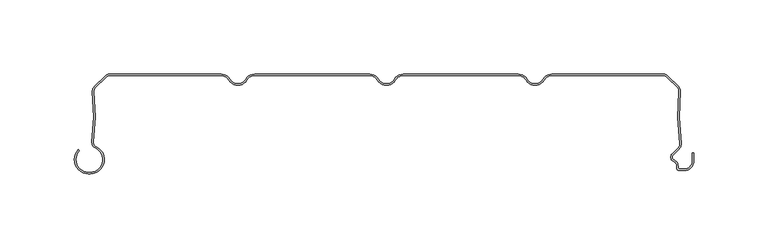
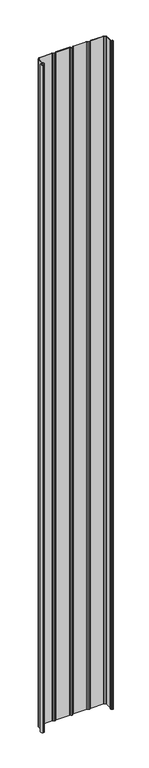
"""IFC4 building model written with IfcOpenShell, lengths in millimetres: plate geometry."""

from ifc_helpers import new_model, si_unit, point, frame_2d, origin, origin_with_axes, place, context, project, spatial, polyline, circle_curve, trimmed, segment, composite_curve, outline, extrude, source, transform, mapped, element, save


def plate_6201d80f(model_context):
    return source(origin(), model_context, "Body", "SweptSolid", [
        extrude(outline(composite_curve([segment(polyline([(-200.5602536, -66.1554676), (-199.3062536, -66.1554676)]), True, "CONTINUOUS"), segment(trimmed(circle_curve(frame_2d((-199.3062536, -57.6554676)), 8.5), [point((-199.3062536, -66.1554676))], [point((-195.7922983, -49.9158218))], True, "CARTESIAN"), True, "CONTINUOUS"), segment(trimmed(circle_curve(frame_2d((-194.0973316, -46.1825808)), 4.1), [point((-195.7922983, -49.9158218))], [point((-198.1663398, -45.6794186))], False, "CARTESIAN"), True, "CONTINUOUS"), segment(trimmed(circle_curve(frame_2d((-347.0324935, -27.2710429)), 150.0), [point((-198.1663398, -45.6794186))], [point((-197.82984, -11.8253904))], True, "CARTESIAN"), True, "CONTINUOUS"), segment(trimmed(circle_curve(frame_2d((-193.7516341, -11.4032093)), 4.1), [point((-197.82984, -11.8253904))], [point((-196.6507719, -8.5040715))], False, "CARTESIAN"), True, "CONTINUOUS"), segment(polyline([(-196.6507719, -8.5040715), (-189.3475626, -1.2008622)]), True, "CONTINUOUS"), segment(trimmed(circle_curve(frame_2d((-186.4484248, -4.1)), 4.1), [point((-189.3475626, -1.2008622))], [point((-186.4484248, 0.0))], False, "CARTESIAN"), True, "CONTINUOUS"), segment(polyline([(-186.4484248, 0.0), (-111.2583302, 0.0)]), True, "CONTINUOUS"), segment(trimmed(circle_curve(frame_2d((-111.2583302, -7.0)), 7.0), [point((-111.2583302, 0.0))], [point((-105.1961524, -3.5))], False, "CARTESIAN"), True, "CONTINUOUS"), segment(trimmed(circle_curve(frame_2d((-100.0, -0.5)), 6.0), [point((-105.1961524, -3.5))], [point((-100.0, -6.5))], True, "CARTESIAN"), True, "CONTINUOUS"), segment(trimmed(circle_curve(frame_2d((-100.0, -0.5)), 6.0), [point((-100.0, -6.5))], [point((-94.8038476, -3.5))], True, "CARTESIAN"), True, "CONTINUOUS"), segment(trimmed(circle_curve(frame_2d((-88.7416698, -7.0)), 7.0), [point((-94.8038476, -3.5))], [point((-88.7416698, 0.0))], False, "CARTESIAN"), True, "CONTINUOUS"), segment(polyline([(-88.7416698, 0.0), (-11.2583302, 0.0)]), True, "CONTINUOUS"), segment(trimmed(circle_curve(frame_2d((-11.2583302, -7.0)), 7.0), [point((-11.2583302, 0.0))], [point((-5.1961524, -3.5))], False, "CARTESIAN"), True, "CONTINUOUS"), segment(trimmed(circle_curve(frame_2d((0.0, -0.5)), 6.0), [point((-5.1961524, -3.5))], [point((0.0, -6.5))], True, "CARTESIAN"), True, "CONTINUOUS"), segment(trimmed(circle_curve(frame_2d((0.0, -0.5)), 6.0), [point((0.0, -6.5))], [point((5.1961524, -3.5))], True, "CARTESIAN"), True, "CONTINUOUS"), segment(trimmed(circle_curve(frame_2d((11.2583302, -7.0)), 7.0), [point((5.1961524, -3.5))], [point((11.2583302, 0.0))], False, "CARTESIAN"), True, "CONTINUOUS"), segment(polyline([(11.2583302, 0.0), (88.7416698, 0.0)]), True, "CONTINUOUS"), segment(trimmed(circle_curve(frame_2d((88.7416698, -7.0)), 7.0), [point((88.7416698, 0.0))], [point((94.8038476, -3.5))], False, "CARTESIAN"), True, "CONTINUOUS"), segment(trimmed(circle_curve(frame_2d((100.0, -0.5)), 6.0), [point((94.8038476, -3.5))], [point((100.0, -6.5))], True, "CARTESIAN"), True, "CONTINUOUS"), segment(trimmed(circle_curve(frame_2d((100.0, -0.5)), 6.0), [point((100.0, -6.5))], [point((105.1961524, -3.5))], True, "CARTESIAN"), True, "CONTINUOUS"), segment(trimmed(circle_curve(frame_2d((111.2583302, -7.0)), 7.0), [point((105.1961524, -3.5))], [point((111.2583302, 0.0))], False, "CARTESIAN"), True, "CONTINUOUS"), segment(polyline([(111.2583302, 0.0), (186.4484248, 0.0)]), True, "CONTINUOUS"), segment(trimmed(circle_curve(frame_2d((186.4484248, -4.1)), 4.1), [point((186.4484248, 0.0))], [point((189.3475626, -1.2008622))], False, "CARTESIAN"), True, "CONTINUOUS"), segment(polyline([(189.3475626, -1.2008622), (196.6502639, -8.5035635)]), True, "CONTINUOUS"), segment(trimmed(circle_curve(frame_2d((193.7511261, -11.4027013)), 4.1), [point((196.6502639, -8.5035635))], [point((197.8293418, -11.8247881))], False, "CARTESIAN"), True, "CONTINUOUS"), segment(trimmed(circle_curve(frame_2d((347.0323525, -27.2669893)), 150.0), [point((197.8293418, -11.8247881))], [point((198.2850442, -46.6122279))], True, "CARTESIAN"), True, "CONTINUOUS"), segment(trimmed(circle_curve(frame_2d((193.9914801, -47.1706247)), 4.3297228), [point((198.2850442, -46.6122279))], [point((196.9270442, -50.3532279))], False, "CARTESIAN"), True, "CONTINUOUS"), segment(polyline([(196.9270442, -50.3532279), (192.8931689, -54.3871033)]), True, "CONTINUOUS"), segment(trimmed(circle_curve(frame_2d((194.4488038, -55.9427382)), 2.2), [point((192.8931689, -54.3871033))], [point((193.6238712, -57.98222))], True, "CARTESIAN"), True, "CONTINUOUS"), segment(trimmed(circle_curve(frame_2d((192.049, -61.8757763)), 4.2), [point((193.6238712, -57.98222))], [point((196.249, -61.8757763))], False, "CARTESIAN"), True, "CONTINUOUS"), segment(polyline([(196.249, -61.8757763), (196.249, -63.0)]), True, "CONTINUOUS"), segment(trimmed(circle_curve(frame_2d((197.249, -63.0)), 1.0), [point((196.249, -63.0))], [point((197.249, -64.0))], True, "CARTESIAN"), True, "CONTINUOUS"), segment(polyline([(197.249, -64.0), (200.55, -64.0)]), True, "CONTINUOUS"), segment(trimmed(circle_curve(frame_2d((200.55, -58.8)), 5.2), [point((200.55, -64.0))], [point((205.75, -58.8))], True, "CARTESIAN"), True, "CONTINUOUS"), segment(polyline([(205.75, -58.8), (205.75, -53.169), (206.75, -53.169), (206.75, -58.8)]), True, "CONTINUOUS"), segment(trimmed(circle_curve(frame_2d((200.55, -58.8)), 6.2), [point((206.75, -58.8))], [point((200.55, -65.0))], False, "CARTESIAN"), True, "CONTINUOUS"), segment(polyline([(200.55, -65.0), (197.249, -65.0)]), True, "CONTINUOUS"), segment(trimmed(circle_curve(frame_2d((197.249, -63.0)), 2.0), [point((197.249, -65.0))], [point((195.249, -63.0))], False, "CARTESIAN"), True, "CONTINUOUS"), segment(polyline([(195.249, -63.0), (195.249, -61.8757763)]), True, "CONTINUOUS"), segment(trimmed(circle_curve(frame_2d((192.049, -61.8757763)), 3.2), [point((195.249, -61.8757763))], [point((193.2489019, -58.9092572))], True, "CARTESIAN"), True, "CONTINUOUS"), segment(trimmed(circle_curve(frame_2d((194.4488038, -55.9427382)), 3.2), [point((193.2489019, -58.9092572))], [point((192.1860621, -53.6799965))], False, "CARTESIAN"), True, "CONTINUOUS"), segment(polyline([(192.1860621, -53.6799965), (196.2351433, -49.6309152)]), True, "CONTINUOUS"), segment(trimmed(circle_curve(frame_2d((193.9914801, -47.1706247)), 3.3297228), [point((196.2351433, -49.6309152))], [point((197.2933955, -46.7411962))], True, "CARTESIAN"), True, "CONTINUOUS"), segment(trimmed(circle_curve(frame_2d((347.0323525, -27.2669893)), 151.0), [point((197.2933955, -46.7411962))], [point((196.834655, -11.7218401))], False, "CARTESIAN"), True, "CONTINUOUS"), segment(trimmed(circle_curve(frame_2d((193.7511261, -11.4027013)), 3.1), [point((196.834655, -11.7218401))], [point((195.9431572, -9.2106703))], True, "CARTESIAN"), True, "CONTINUOUS"), segment(polyline([(195.9431572, -9.2106703), (188.6404559, -1.907969)]), True, "CONTINUOUS"), segment(trimmed(circle_curve(frame_2d((186.4484248, -4.1)), 3.1), [point((188.6404559, -1.907969))], [point((186.4484248, -1.0))], True, "CARTESIAN"), True, "CONTINUOUS"), segment(polyline([(186.4484248, -1.0), (111.2583302, -1.0)]), True, "CONTINUOUS"), segment(trimmed(circle_curve(frame_2d((111.2583302, -7.0)), 6.0), [point((111.2583302, -1.0))], [point((106.0621778, -4.0))], True, "CARTESIAN"), True, "CONTINUOUS"), segment(trimmed(circle_curve(frame_2d((100.0, -0.5)), 7.0), [point((106.0621778, -4.0))], [point((100.0, -7.5))], False, "CARTESIAN"), True, "CONTINUOUS"), segment(trimmed(circle_curve(frame_2d((100.0, -0.5)), 7.0), [point((100.0, -7.5))], [point((93.9378222, -4.0))], False, "CARTESIAN"), True, "CONTINUOUS"), segment(trimmed(circle_curve(frame_2d((88.7416698, -7.0)), 6.0), [point((93.9378222, -4.0))], [point((88.7416698, -1.0))], True, "CARTESIAN"), True, "CONTINUOUS"), segment(polyline([(88.7416698, -1.0), (11.2583302, -1.0)]), True, "CONTINUOUS"), segment(trimmed(circle_curve(frame_2d((11.2583302, -7.0)), 6.0), [point((11.2583302, -1.0))], [point((6.0621778, -4.0))], True, "CARTESIAN"), True, "CONTINUOUS"), segment(trimmed(circle_curve(frame_2d((0.0, -0.5)), 7.0), [point((6.0621778, -4.0))], [point((0.0, -7.5))], False, "CARTESIAN"), True, "CONTINUOUS"), segment(trimmed(circle_curve(frame_2d((0.0, -0.5)), 7.0), [point((0.0, -7.5))], [point((-6.0621778, -4.0))], False, "CARTESIAN"), True, "CONTINUOUS"), segment(trimmed(circle_curve(frame_2d((-11.2583302, -7.0)), 6.0), [point((-6.0621778, -4.0))], [point((-11.2583302, -1.0))], True, "CARTESIAN"), True, "CONTINUOUS"), segment(polyline([(-11.2583302, -1.0), (-88.7416698, -1.0)]), True, "CONTINUOUS"), segment(trimmed(circle_curve(frame_2d((-88.7416698, -7.0)), 6.0), [point((-88.7416698, -1.0))], [point((-93.9378222, -4.0))], True, "CARTESIAN"), True, "CONTINUOUS"), segment(trimmed(circle_curve(frame_2d((-100.0, -0.5)), 7.0), [point((-93.9378222, -4.0))], [point((-100.0, -7.5))], False, "CARTESIAN"), True, "CONTINUOUS"), segment(trimmed(circle_curve(frame_2d((-100.0, -0.5)), 7.0), [point((-100.0, -7.5))], [point((-106.0621778, -4.0))], False, "CARTESIAN"), True, "CONTINUOUS"), segment(trimmed(circle_curve(frame_2d((-111.2583302, -7.0)), 6.0), [point((-106.0621778, -4.0))], [point((-111.2583302, -1.0))], True, "CARTESIAN"), True, "CONTINUOUS"), segment(polyline([(-111.2583302, -1.0), (-186.4484248, -1.0)]), True, "CONTINUOUS"), segment(trimmed(circle_curve(frame_2d((-186.4484248, -4.1)), 3.1), [point((-186.4484248, -1.0))], [point((-188.6404559, -1.907969))], True, "CARTESIAN"), True, "CONTINUOUS"), segment(polyline([(-188.6404559, -1.907969), (-195.9436651, -9.2111782)]), True, "CONTINUOUS"), segment(trimmed(circle_curve(frame_2d((-193.7516341, -11.4032093)), 3.1), [point((-195.9436651, -9.2111782))], [point((-196.8351556, -11.7224194))], True, "CARTESIAN"), True, "CONTINUOUS"), segment(trimmed(circle_curve(frame_2d((-347.0324935, -27.2710429)), 151.0), [point((-196.8351556, -11.7224194))], [point((-197.1738988, -45.8021411))], False, "CARTESIAN"), True, "CONTINUOUS"), segment(trimmed(circle_curve(frame_2d((-194.0973316, -46.1825808)), 3.1), [point((-197.1738988, -45.8021411))], [point((-195.3788918, -49.0052752))], True, "CARTESIAN"), True, "CONTINUOUS"), segment(trimmed(circle_curve(frame_2d((-199.3062536, -57.6554676)), 9.5), [point((-195.3788918, -49.0052752))], [point((-199.3062536, -67.1554676))], False, "CARTESIAN"), True, "CONTINUOUS"), segment(polyline([(-199.3062536, -67.1554676), (-200.5602536, -67.1554676)]), True, "CONTINUOUS"), segment(trimmed(circle_curve(frame_2d((-200.5602536, -57.6554676)), 9.5), [point((-200.5602536, -67.1554676))], [point((-207.277768, -50.9379532))], False, "CARTESIAN"), True, "CONTINUOUS"), segment(polyline([(-207.277768, -50.9379532), (-206.5706612, -51.64506)]), True, "CONTINUOUS"), segment(trimmed(circle_curve(frame_2d((-200.5602536, -57.6554676)), 8.5), [point((-206.5706612, -51.64506))], [point((-200.5602536, -66.1554676))], True, "CARTESIAN"), True, "CONTINUOUS")], self_intersect=False)), origin_with_axes(), (0.0, 0.0, 1.0), 4061.7064475),
    ])


if __name__ == "__main__":
    model = new_model("IFC4")
    model_context = context("Model", 3, world=origin())
    ifc_project = project(units=[si_unit("LENGTHUNIT", "METRE", prefix="MILLI")], contexts=[model_context])
    site = spatial("IfcSite", under=ifc_project)
    building = spatial("IfcBuilding", under=site)
    placement = place(None, origin())
    plate_shape = plate_6201d80f(model_context)
    element("IfcPlate", 1, at=placement, inside=building, context=model_context, shape_type="MappedRepresentation", body=[
        mapped(plate_shape, transform((0.0, 0.0, 0.0), x_axis=(1.0, 0.0, 0.0), y_axis=(0.0, 1.0, 0.0), z_axis=(0.0, 0.0, 1.0))),
    ])
    save(model, "model.ifc")
